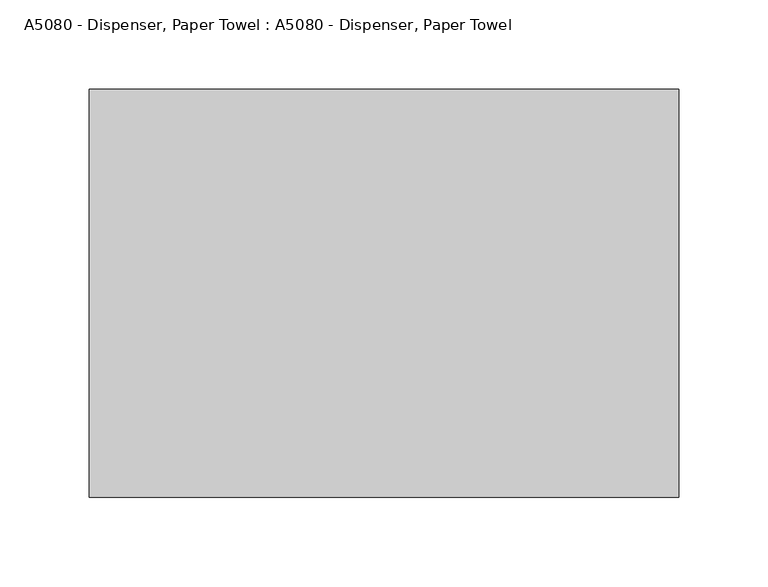
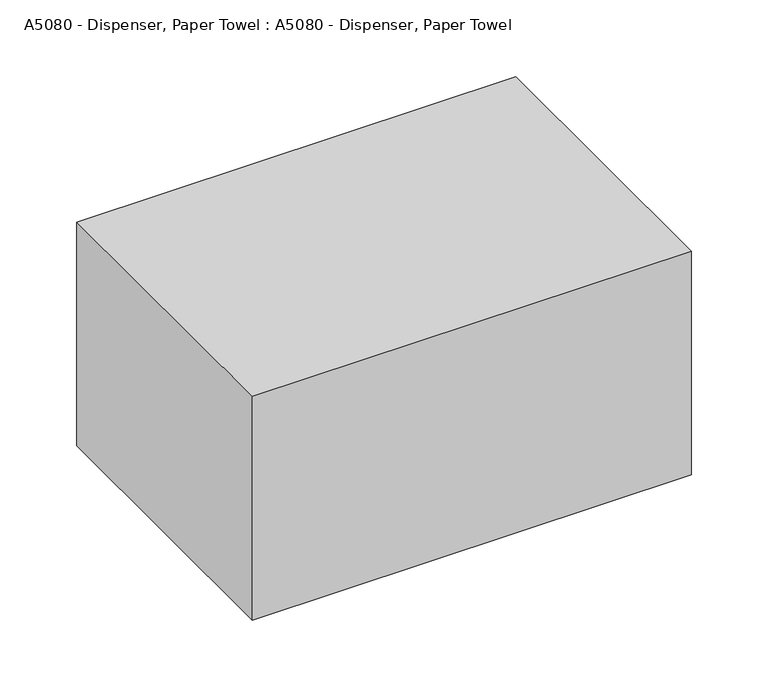
"""IFC4 building model written with IfcOpenShell, lengths in millimetres: proxy geometry, A5080 - Dispenser, Paper Towel : A5080 - Dispenser, Paper Towel."""

from ifc_helpers import new_model, si_unit, origin, origin_with_axes, place, context, project, spatial, polyline, outline, extrude, source, transform, mapped, element, save


def a5080_dispenser_paper_towel_a5080_dispenser_paper_towel_604ea92f(model_context):
    return source(origin(), model_context, "Body", "SweptSolid", [
        extrude(outline(polyline([(165.1, -228.6), (-165.1, -228.6), (-165.1, 0.0), (165.1, 0.0), (165.1, -228.6)])), origin_with_axes(), (0.0, 0.0, 1.0), 177.8),
        extrude(outline(polyline([(-165.1, -228.6), (-165.1, 0.0), (165.1, 0.0), (165.1, -228.6), (-165.1, -228.6)])), origin_with_axes(), (0.0, 0.0, 1.0), 177.8),
    ])


if __name__ == "__main__":
    model = new_model("IFC4")
    model_context = context("Model", 3, world=origin())
    ifc_project = project(units=[si_unit("LENGTHUNIT", "METRE", prefix="MILLI")], contexts=[model_context])
    site = spatial("IfcSite", under=ifc_project)
    building = spatial("IfcBuilding", under=site)
    placement = place(None, origin())
    a5080_dispenser_paper_towel_a5080_dispenser_paper_towel_shape = a5080_dispenser_paper_towel_a5080_dispenser_paper_towel_604ea92f(model_context)
    element("IfcBuildingElementProxy", 1, Name="A5080 - Dispenser, Paper Towel : A5080 - Dispenser, Paper Towel", ObjectType="A5080 - Dispenser, Paper Towel : A5080 - Dispenser, Paper Towel", at=placement, inside=building, context=model_context, shape_type="MappedRepresentation", body=[
        mapped(a5080_dispenser_paper_towel_a5080_dispenser_paper_towel_shape, transform((0.0, 0.0, 0.0), x_axis=(1.0, 0.0, 0.0), y_axis=(0.0, 1.0, 0.0), z_axis=(0.0, 0.0, 1.0))),
    ])
    save(model, "model.ifc")
